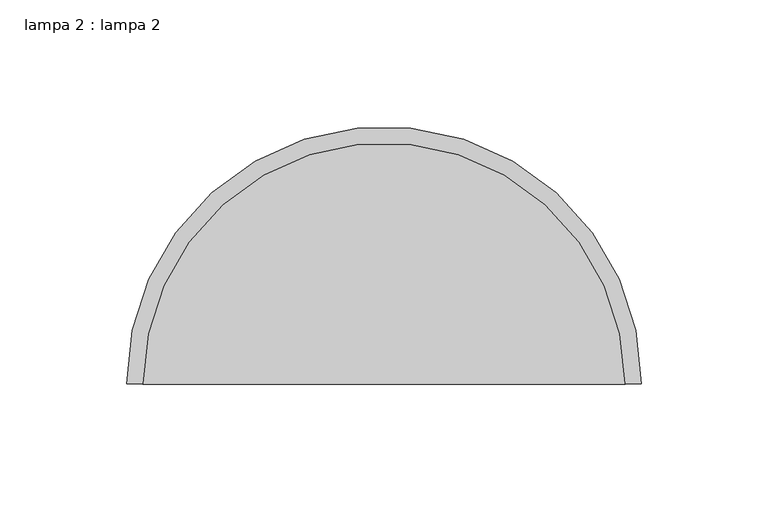
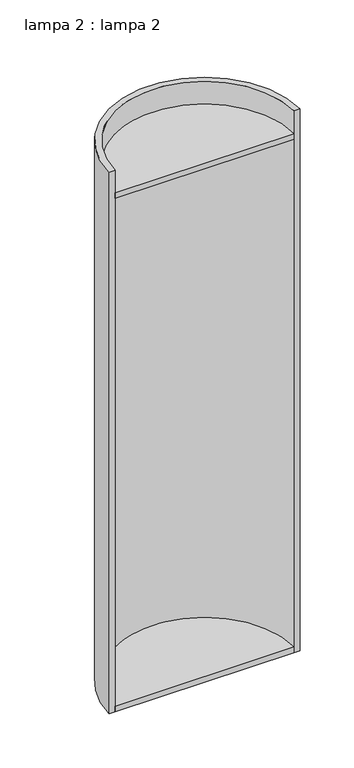
"""IFC4 building model written with IfcOpenShell, lengths in millimetres: light fixture geometry, lampa 2 : lampa 2."""

from ifc_helpers import new_model, si_unit, point, frame, frame_2d, origin, place, context, project, spatial, polyline, circle_curve, trimmed, segment, composite_curve, outline, extrude, source, transform, mapped, element, save


def lampa_2_lampa_2_77105781(model_context):
    return source(origin(), model_context, "Body", "SweptSolid", [
        extrude(outline(composite_curve([segment(polyline([(58.8943373, 200.0), (-131.6056627, 200.0)]), True, "CONTINUOUS"), segment(trimmed(circle_curve(frame_2d((-36.3556627, 200.0)), 95.25), [point((-131.6056627, 200.0))], [point((58.8943373, 200.0))], False, "CARTESIAN"), True, "CONTINUOUS")], self_intersect=False)), frame((0.0, 0.0, 1625.6), z_axis=(0.0, 0.0, 1.0), x_axis=(1.0, 0.0, 0.0)), (0.0, 0.0, 1.0), 6.35),
        extrude(outline(composite_curve([segment(polyline([(58.8943373, 200.0), (-131.6056627, 200.0)]), True, "CONTINUOUS"), segment(trimmed(circle_curve(frame_2d((-36.3556627, 200.0)), 95.25), [point((-131.6056627, 200.0))], [point((58.8943373, 200.0))], False, "CARTESIAN"), True, "CONTINUOUS")], self_intersect=False)), frame((0.0, 0.0, 2203.45), z_axis=(0.0, 0.0, 1.0), x_axis=(1.0, 0.0, 0.0)), (0.0, 0.0, 1.0), 6.35),
        extrude(outline(composite_curve([segment(trimmed(circle_curve(frame_2d((-36.3556627, 200.0)), 101.6), [point((-137.9556627, 200.0))], [point((65.2443373, 200.0))], False, "CARTESIAN"), True, "CONTINUOUS"), segment(polyline([(65.2443373, 200.0), (58.8943373, 200.0)]), True, "CONTINUOUS"), segment(trimmed(circle_curve(frame_2d((-36.3556627, 200.0)), 95.25), [point((58.8943373, 200.0))], [point((-131.6056627, 200.0))], True, "CARTESIAN"), True, "CONTINUOUS"), segment(polyline([(-131.6056627, 200.0), (-137.9556627, 200.0)]), True, "CONTINUOUS")], self_intersect=False)), frame((0.0, 0.0, 1625.6), z_axis=(0.0, 0.0, 1.0), x_axis=(1.0, 0.0, 0.0)), (0.0, 0.0, 1.0), 609.6),
    ])


if __name__ == "__main__":
    model = new_model("IFC4")
    model_context = context("Model", 3, world=origin())
    ifc_project = project(units=[si_unit("LENGTHUNIT", "METRE", prefix="MILLI")], contexts=[model_context])
    site = spatial("IfcSite", under=ifc_project)
    building = spatial("IfcBuilding", under=site)
    placement = place(None, origin())
    lampa_2_lampa_2_shape = lampa_2_lampa_2_77105781(model_context)
    element("IfcLightFixture", 1, ObjectType="lampa 2 : lampa 2", at=placement, inside=building, context=model_context, shape_type="MappedRepresentation", body=[
        mapped(lampa_2_lampa_2_shape, transform((0.0, 0.0, 0.0), x_axis=(1.0, 0.0, 0.0), y_axis=(0.0, 1.0, 0.0), z_axis=(0.0, 0.0, 1.0))),
    ])
    save(model, "model.ifc")
